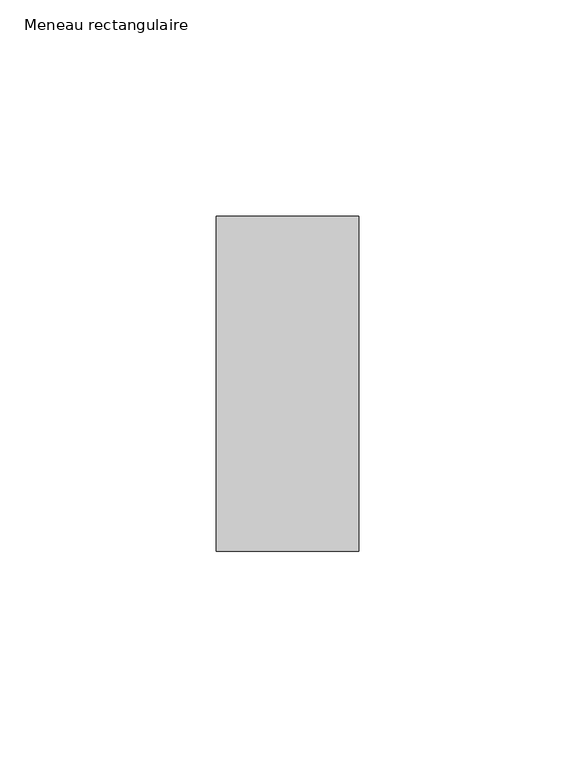
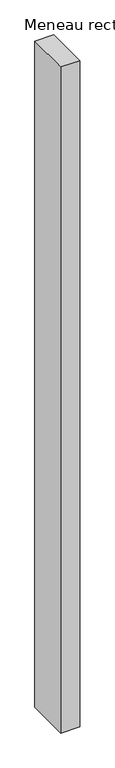
"""IFC4 building model written with IfcOpenShell, lengths in millimetres: member geometry, Meneau rectangulaire."""

from ifc_helpers import new_model, si_unit, frame, origin, place, context, project, spatial, polyline, outline, extrude, source, transform, mapped, element, save


def meneau_rectangulaire_d305b803(model_context):
    return source(origin(), model_context, "Body", "SweptSolid", [
        extrude(outline(polyline([(0.0, 38.75), (0.0, -38.75), (-33.0, -38.75), (-33.0, 38.75), (0.0, 38.75)])), frame((0.0, 0.0, -1219.6250002), z_axis=(0.0, 0.0, 1.0), x_axis=(1.0, 0.0, 0.0)), (0.0, 0.0, 1.0), 1219.6250002),
    ])


if __name__ == "__main__":
    model = new_model("IFC4")
    model_context = context("Model", 3, world=origin())
    ifc_project = project(units=[si_unit("LENGTHUNIT", "METRE", prefix="MILLI")], contexts=[model_context])
    site = spatial("IfcSite", under=ifc_project)
    building = spatial("IfcBuilding", under=site)
    placement = place(None, origin())
    meneau_rectangulaire_shape = meneau_rectangulaire_d305b803(model_context)
    element("IfcMember", 1, ObjectType="Meneau rectangulaire", at=placement, inside=building, context=model_context, shape_type="MappedRepresentation", body=[
        mapped(meneau_rectangulaire_shape, transform((0.0, 0.0, 0.0), x_axis=(1.0, 0.0, 0.0), y_axis=(0.0, 1.0, 0.0), z_axis=(0.0, 0.0, 1.0))),
    ])
    save(model, "model.ifc")
